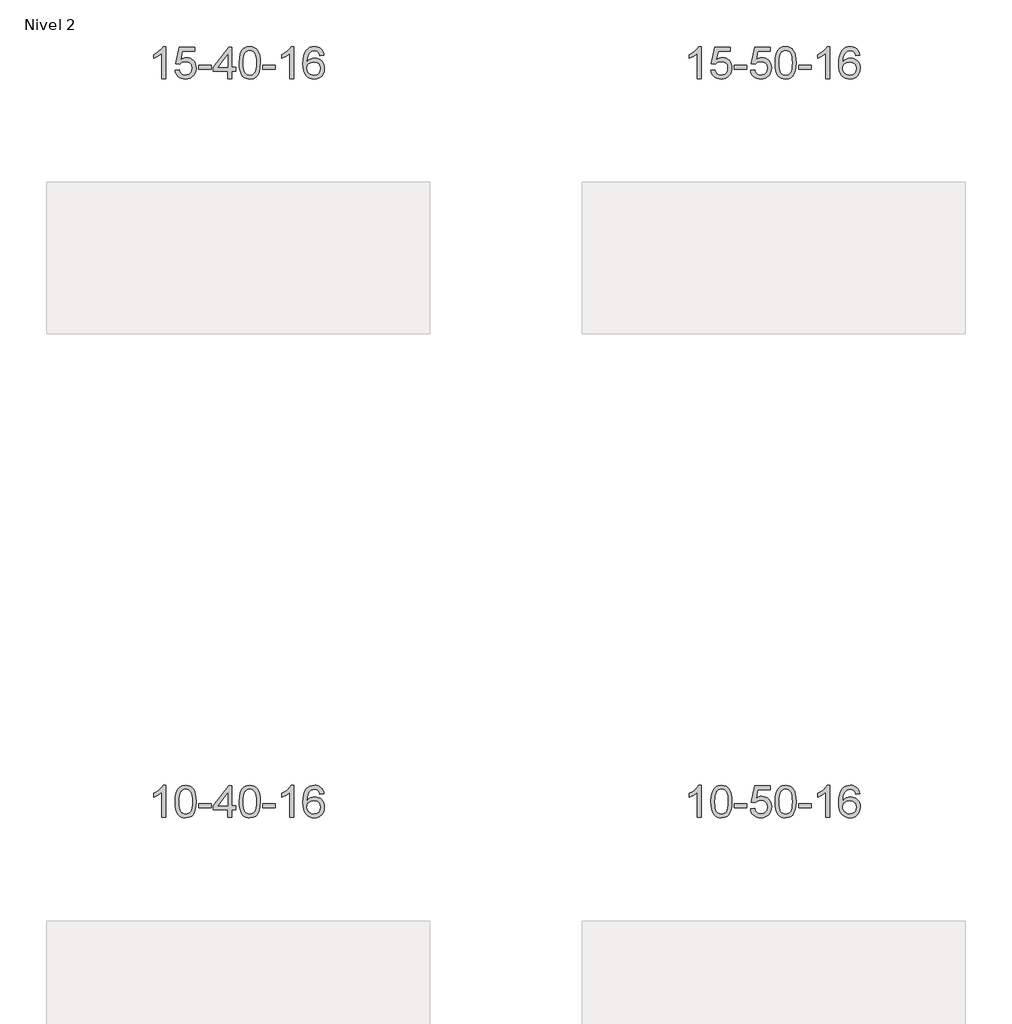
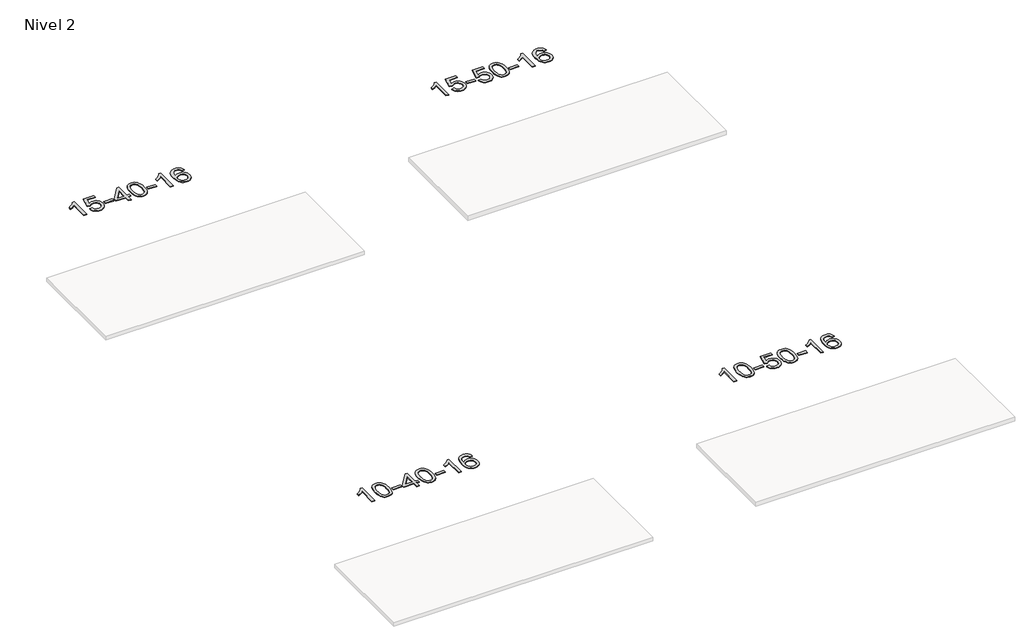
# One storey, part 7 of 51: 4 proxies.
"""IFC4 building model written with IfcOpenShell, lengths in millimetres."""

import ifcopenshell
import ifcopenshell.guid

model = None  # the IFC model being written
_history = None  # IfcOwnerHistory: only IFC2X3 demands one
_inside = {}  # id of a spatial element -> (the spatial element, [elements in it])
_under = {}  # id of a project, library or spatial element -> (it, [spatial elements below it])
_declared = {}  # id of a project -> (the project, [libraries it declares])
_typed = {}  # id of a type object -> (the type object, [elements of that type])
_made_of = {}  # id of a material, layer set ... -> (it, [elements and type objects made of it])


def new_model(schema):
    """Start an empty IFC model of exactly this schema.

    Asked for "IFC4X3", IfcOpenShell would pick the latest addendum, in which some entities
    have other attributes; the version numbers below select the first issue.
    IFC2X3 requires an IfcOwnerHistory on every rooted entity: one is made here for all.
    """
    global model, _history
    if schema == "IFC4X3":
        model = ifcopenshell.file(schema_version=(4, 3, 0, 0))
    else:
        model = ifcopenshell.file(schema=schema)
    _inside.clear()
    _under.clear()
    _declared.clear()
    _typed.clear()
    _made_of.clear()
    _history = None
    if model.schema == "IFC2X3":
        org = make("IfcOrganization", Name="unknown")
        user = make(
            "IfcPersonAndOrganization",
            ThePerson=make("IfcPerson", FamilyName="unknown"),
            TheOrganization=org,
        )
        app = make(
            "IfcApplication",
            ApplicationDeveloper=org,
            Version="unknown",
            ApplicationFullName="unknown",
            ApplicationIdentifier="unknown",
        )
        _history = make(
            "IfcOwnerHistory",
            OwningUser=user,
            OwningApplication=app,
            ChangeAction="ADDED",
            CreationDate=0,
        )
    return model


def make(cls, **values):
    """One entity of the class cls with the attributes given. An attribute that is None is left unset."""
    return model.create_entity(
        cls, **{name: value for name, value in values.items() if value is not None}
    )


def rooted(cls, **values):
    """An entity with a GlobalId (a new one), such as an element, a storey or a relation."""
    return make(cls, GlobalId=ifcopenshell.guid.new(), OwnerHistory=_history, **values)


def si_unit(unit_type, name, prefix=None):
    """IfcSIUnit, for example si_unit("LENGTHUNIT", "METRE", prefix="MILLI")."""
    return make("IfcSIUnit", UnitType=unit_type, Prefix=prefix, Name=name)


def assignment(units):
    """IfcUnitAssignment: the units of a project."""
    return None if units is None else make("IfcUnitAssignment", Units=units)


def point(xyz):
    """IfcCartesianPoint."""
    return None if xyz is None else make("IfcCartesianPoint", Coordinates=xyz)


def direction(xyz):
    """IfcDirection."""
    return None if xyz is None else make("IfcDirection", DirectionRatios=xyz)


def frame(location, z_axis=None, x_axis=None):
    """IfcAxis2Placement3D, a coordinate frame: its origin and axes. An axis left out is left unset."""
    return make(
        "IfcAxis2Placement3D",
        Location=point(location),
        Axis=direction(z_axis),
        RefDirection=direction(x_axis),
    )


def origin():
    """The frame at (0, 0, 0) with its axes left unset."""
    return frame((0.0, 0.0, 0.0))


def place(relative_to, where):
    """IfcLocalPlacement: puts the frame where relative to a parent placement (None: the world)."""
    return make(
        "IfcLocalPlacement", PlacementRelTo=relative_to, RelativePlacement=where
    )


def context(
    kind, dimensions, precision=None, world=None, true_north=None, identifier=None
):
    """IfcGeometricRepresentationContext, for example the 3D "Model" context."""
    return make(
        "IfcGeometricRepresentationContext",
        ContextIdentifier=identifier,
        ContextType=kind,
        CoordinateSpaceDimension=dimensions,
        Precision=precision,
        WorldCoordinateSystem=world,
        TrueNorth=true_north,
    )


def project(units=None, contexts=None):
    """IfcProject with its units and contexts."""
    return rooted(
        "IfcProject",
        Name="project",
        RepresentationContexts=contexts,
        UnitsInContext=assignment(units),
    )


def spatial(cls, under=None, at=None, **own):
    """A site, building, storey or space (cls), placed at a placement, below another one or the project."""
    s = rooted(cls, ObjectPlacement=at, **own)
    if under is not None:
        _under.setdefault(under.id(), (under, []))[1].append(s)
    return s


def polyline(points):
    """IfcPolyline through the points."""
    return make("IfcPolyline", Points=[point(p) for p in points])


def outline(outer, holes=None, kind="AREA"):
    """IfcArbitraryClosedProfileDef: a profile drawn as a closed curve; with holes, ...WithVoids."""
    if holes is None:
        return make("IfcArbitraryClosedProfileDef", ProfileType=kind, OuterCurve=outer)
    return make(
        "IfcArbitraryProfileDefWithVoids",
        ProfileType=kind,
        OuterCurve=outer,
        InnerCurves=holes,
    )


def extrude(swept, where, along, depth):
    """IfcExtrudedAreaSolid: the profile swept, set in the frame where, extruded along a direction by depth."""
    return make(
        "IfcExtrudedAreaSolid",
        SweptArea=swept,
        Position=where,
        ExtrudedDirection=direction(along),
        Depth=depth,
    )


def shape(context_of_items, identifier, shape_type, items):
    """IfcShapeRepresentation: the items that make up one representation, for example the "Body"."""
    return make(
        "IfcShapeRepresentation",
        ContextOfItems=context_of_items,
        RepresentationIdentifier=identifier,
        RepresentationType=shape_type,
        Items=items,
    )


def made_of(thing, what):
    """Note that an element or type object is made of a material, layer set ...; save() writes the relation."""
    if what is not None:
        _made_of.setdefault(what.id(), (what, []))[1].append(thing)
    return thing


def element(
    cls,
    number,
    at=None,
    inside=None,
    cuts=None,
    type_object=None,
    material=None,
    context=None,
    identifier="Body",
    shape_type=None,
    held_by="IfcProductDefinitionShape",
    body=None,
    shapes=None,
    **own,
):
    """One element of the class cls, such as IfcWall. Its Tag is "e" and its number.

    at: its placement. inside: the storey or other place that contains it. cuts: it is an
    opening in that element (IfcRelVoidsElement). A single representation is given by context,
    identifier, shape_type and body (its items); several are given by shapes. held_by: the class
    of the entity that holds the representations. save() writes the other relations.
    """
    e = rooted(cls, Tag="e%d" % number, ObjectPlacement=at, **own)
    if body is not None:
        shapes = [shape(context, identifier, shape_type, body)]
    if shapes is not None:
        e.Representation = make(held_by, Representations=shapes)
    if inside is not None:
        _inside.setdefault(inside.id(), (inside, []))[1].append(e)
    if cuts is not None:
        rooted(
            "IfcRelVoidsElement", RelatingBuildingElement=cuts, RelatedOpeningElement=e
        )
    if type_object is not None:
        _typed.setdefault(type_object.id(), (type_object, []))[1].append(e)
    return made_of(e, material)


def aggregate(whole, parts):
    """IfcRelAggregates: a whole, such as a stair, and the parts it consists of."""
    return rooted("IfcRelAggregates", RelatingObject=whole, RelatedObjects=parts)


def save(model, path):
    """Write the relations noted so far, then the file.

    IfcRelAggregates (storeys below a building ...), IfcRelContainedInSpatialStructure (elements
    in a storey), IfcRelDefinesByType, IfcRelAssociatesMaterial and IfcRelDeclares: one each for
    every whole, place, type object, material and project.
    """
    for whole, parts in _under.values():
        aggregate(whole, parts)
    for where, things in _inside.values():
        rooted(
            "IfcRelContainedInSpatialStructure",
            RelatedElements=things,
            RelatingStructure=where,
        )
    for kind, things in _typed.values():
        rooted("IfcRelDefinesByType", RelatedObjects=things, RelatingType=kind)
    for what, things in _made_of.values():
        rooted("IfcRelAssociatesMaterial", RelatedObjects=things, RelatingMaterial=what)
    for by, libraries in _declared.values():
        rooted("IfcRelDeclares", RelatingContext=by, RelatedDefinitions=libraries)
    model.write(path)


model = new_model("IFC4")

# Units and contexts
model_context = context("Model", 3, world=origin())
ifc_project = project(units=[si_unit("LENGTHUNIT", "METRE", prefix="MILLI")], contexts=[model_context])

# Site, building, storey
site = spatial("IfcSite", under=ifc_project)
building = spatial("IfcBuilding", under=site)
storey = spatial("IfcBuildingStorey", under=building, Name="Nivel 2", Elevation=3000.0)

# Proxies
placement = place(None, origin())
element("IfcBuildingElementProxy", 1, Name="Texto de modelo 1", ObjectType="Texto de modelo 1", at=placement, inside=storey, context=model_context, shape_type="SweptSolid", body=[
    extrude(outline(polyline([(-8605.2655998, -77088.6860497), (-8655.4937549, -77088.6860497), (-8655.4937549, -76775.5448954), (-8676.4630286, -76792.5042554), (-8703.0731596, -76809.4390899), (-8755.950065, -76834.7984221), (-8755.950065, -76787.3171193), (-8716.5008524, -76765.8573362), (-8682.3246151, -76740.3263258), (-8655.3833903, -76713.1766345), (-8637.6392154, -76686.8608091), (-8605.2655998, -76686.8608091), (-8605.2655998, -77088.6860497)])), frame((0.0, 0.0, 3000.0), z_axis=(0.0, 0.0, 1.0), x_axis=(1.0, 0.0, 0.0)), (0.0, 0.0, 1.0), 10.0),
    extrude(outline(polyline([(-8485.9737315, -76981.9512202), (-8435.7455764, -76975.6727008), (-8426.5240011, -77005.8267617), (-8410.4352952, -77027.4214348), (-8387.5530351, -77040.4076692), (-8357.9507972, -77044.736414), (-8338.8209334, -77043.2311636), (-8321.9474126, -77038.7154121), (-8307.3302347, -77031.1891596), (-8294.9693996, -77020.6524061), (-8285.140819, -77007.6263178), (-8278.1204042, -76992.6320608), (-8272.5040724, -76956.7390408), (-8277.764785, -76922.9429482), (-8284.3406756, -76909.024746), (-8293.5469226, -76897.0931066), (-8305.4141826, -76887.5220434), (-8319.9731126, -76880.6855697), (-8357.1659823, -76875.2163907), (-8381.5320331, -76877.3991572), (-8401.2627708, -76883.9474567), (-8417.0203829, -76893.9783724), (-8429.4670571, -76906.6089876), (-8479.6952121, -76900.3304682), (-8435.7455764, -76693.1393285), (-8241.1114755, -76693.1393285), (-8241.1114755, -76743.3674836), (-8395.1314042, -76743.3674836), (-8416.6157127, -76854.0263877), (-8398.8899319, -76841.3221962), (-8380.7349554, -76832.2477736), (-8362.1507833, -76826.8031201), (-8343.1374155, -76824.9882356), (-8318.6763285, -76827.2384471), (-8296.2079357, -76833.9890817), (-8275.732237, -76845.2401394), (-8257.2492324, -76860.9916202), (-8241.9484071, -76880.2808995), (-8231.0192461, -76902.1453527), (-8224.4617496, -76926.5849799), (-8222.2759174, -76953.5997811), (-8224.244086, -76979.6213009), (-8230.1485921, -77003.8279362), (-8239.9894354, -77026.219687), (-8253.7666162, -77046.7965532), (-8274.637788, -77067.8700602), (-8298.9915761, -77082.9225651), (-8326.8279804, -77091.9540681), (-8358.1470009, -77094.9645691), (-8384.0673532, -77093.030123), (-8407.4799765, -77087.2267845), (-8428.3848709, -77077.5545537), (-8446.7820363, -77064.0134306), (-8462.088993, -77047.2778655), (-8473.7232611, -77028.0223087), (-8481.6848406, -77006.2467603), (-8485.9737315, -76981.9512202)])), frame((0.0, 0.0, 3000.0), z_axis=(0.0, 0.0, 1.0), x_axis=(1.0, 0.0, 0.0)), (0.0, 0.0, 1.0), 10.0),
    extrude(outline(polyline([(-8190.8833205, -76969.3941814), (-8190.8833205, -76919.1660264), (-8033.9203358, -76919.1660264), (-8033.9203358, -76969.3941814), (-8190.8833205, -76969.3941814)])), frame((0.0, 0.0, 3000.0), z_axis=(0.0, 0.0, 1.0), x_axis=(1.0, 0.0, 0.0)), (0.0, 0.0, 1.0), 10.0),
    extrude(outline(polyline([(-7826.7291962, -77088.6860497), (-7826.7291962, -76994.508259), (-8008.8062583, -76994.508259), (-8008.8062583, -76944.2801039), (-7814.1721574, -76693.1393285), (-7776.5010411, -76693.1393285), (-7776.5010411, -76944.2801039), (-7726.272886, -76944.2801039), (-7726.272886, -76994.508259), (-7776.5010411, -76994.508259), (-7776.5010411, -77088.6860497), (-7826.7291962, -77088.6860497)]), holes=[polyline([(-7826.7291962, -76944.2801039), (-7826.7291962, -76789.0829529), (-7947.0020831, -76944.2801039), (-7826.7291962, -76944.2801039)])]), frame((0.0, 0.0, 3000.0), z_axis=(0.0, 0.0, 1.0), x_axis=(1.0, 0.0, 0.0)), (0.0, 0.0, 1.0), 10.0),
    extrude(outline(polyline([(-7682.3232503, -76891.010791), (-7678.6321676, -76826.6927555), (-7667.5589196, -76775.3977426), (-7649.2138708, -76736.3409375), (-7637.3558078, -76721.1075572), (-7623.7073858, -76708.7375251), (-7608.2226194, -76699.1664619), (-7590.8555236, -76692.3299881), (-7550.4743432, -76686.8608091), (-7519.5232047, -76690.0981707), (-7491.8094277, -76699.8102554), (-7468.6328621, -76715.6169184), (-7451.2933573, -76737.1380151), (-7438.1967583, -76764.1896045), (-7427.7489097, -76796.5877456), (-7420.9063045, -76837.7292154), (-7418.6254362, -76891.010791), (-7422.2797307, -76954.9609445), (-7433.2426141, -77006.13333), (-7451.4772983, -77045.2269234), (-7463.3077702, -77060.5062889), (-7476.9469951, -77072.9407003), (-7492.4501556, -77082.5761429), (-7509.8724337, -77089.4586019), (-7550.4743432, -77094.9645691), (-7578.1390693, -77092.5733362), (-7602.6645356, -77085.3996372), (-7624.0507423, -77073.4434724), (-7642.2976892, -77056.7048416), (-7659.8088722, -77026.4465475), (-7672.31686, -76988.7447744), (-7679.8216528, -76943.5995222), (-7682.3232503, -76891.010791)]), holes=[polyline([(-7632.0950952, -76890.9126891), (-7630.6235673, -76934.5772163), (-7626.2089833, -76969.921479), (-7618.8513434, -76996.9454772), (-7608.5506476, -77015.649211), (-7596.0917106, -77028.3748623), (-7582.2593476, -77037.4646133), (-7567.0535585, -77042.9184639), (-7550.4743432, -77044.736414), (-7533.895128, -77042.9123325), (-7518.6893389, -77037.4400878), (-7504.8569758, -77028.31968), (-7492.3980389, -77015.5511091), (-7482.0973431, -76996.8167185), (-7474.7397032, -76969.7988516), (-7470.3251192, -76934.4975085), (-7468.8535913, -76890.9126891), (-7470.2760683, -76848.4039246), (-7474.5434994, -76813.6819956), (-7481.6558847, -76786.7469022), (-7491.613224, -76767.5986443), (-7503.8636945, -76754.2506593), (-7517.855473, -76744.7163842), (-7533.5885597, -76738.9958192), (-7551.0629544, -76737.0889642), (-7567.5563306, -76738.7689587), (-7582.5046023, -76743.808942), (-7595.9077697, -76752.2089142), (-7607.7658326, -76763.9688753), (-7618.409885, -76784.8155217), (-7626.0127796, -76812.9217062), (-7630.5745163, -76848.2874286), (-7632.0950952, -76890.9126891)])]), frame((0.0, 0.0, 3000.0), z_axis=(0.0, 0.0, 1.0), x_axis=(1.0, 0.0, 0.0)), (0.0, 0.0, 1.0), 10.0),
    extrude(outline(polyline([(-7387.2328393, -76969.3941814), (-7387.2328393, -76919.1660264), (-7230.2698546, -76919.1660264), (-7230.2698546, -76969.3941814), (-7387.2328393, -76969.3941814)])), frame((0.0, 0.0, 3000.0), z_axis=(0.0, 0.0, 1.0), x_axis=(1.0, 0.0, 0.0)), (0.0, 0.0, 1.0), 10.0),
    extrude(outline(polyline([(-6997.9646374, -77088.6860497), (-7048.1927925, -77088.6860497), (-7048.1927925, -76775.5448954), (-7069.1620662, -76792.5042554), (-7095.7721972, -76809.4390899), (-7148.6491026, -76834.7984221), (-7148.6491026, -76787.3171193), (-7109.19989, -76765.8573362), (-7075.0236527, -76740.3263258), (-7048.0824279, -76713.1766345), (-7030.338253, -76686.8608091), (-6997.9646374, -76686.8608091), (-6997.9646374, -77088.6860497)])), frame((0.0, 0.0, 3000.0), z_axis=(0.0, 0.0, 1.0), x_axis=(1.0, 0.0, 0.0)), (0.0, 0.0, 1.0), 10.0),
    extrude(outline(polyline([(-6621.2534744, -76793.5956387), (-6671.4816294, -76799.8741581), (-6679.5750333, -76774.9808097), (-6690.5133913, -76757.9846615), (-6713.2975496, -76742.3128885), (-6740.8396483, -76737.0889642), (-6764.1878922, -76740.130122), (-6786.1627101, -76749.2535955), (-6805.0350564, -76768.4692984), (-6820.449312, -76794.9200139), (-6830.8603725, -76832.3336128), (-6834.7231334, -76884.437966), (-6814.5754628, -76860.9303065), (-6790.4301412, -76844.363354), (-6763.6360692, -76834.5409047), (-6735.5421475, -76831.266755), (-6711.4090886, -76833.5047038), (-6689.1399652, -76840.2185502), (-6668.7347772, -76851.4082942), (-6650.1935247, -76867.0739358), (-6634.7854004, -76886.2835074), (-6623.7795974, -76908.105041), (-6617.1761156, -76932.5385369), (-6614.974955, -76959.5839949), (-6619.1197588, -76995.5505913), (-6631.5541702, -77028.8929628), (-6651.2481197, -77057.1708255), (-6677.1715376, -77077.9438955), (-6708.1472016, -77090.7094007), (-6742.9978893, -77094.9645691), (-6772.940418, -77092.1441405), (-6799.9828104, -77083.6828546), (-6824.1250663, -77069.5807115), (-6845.3671858, -77049.837711), (-6862.6852307, -77023.6199875), (-6875.0552628, -76990.093675), (-6882.4772821, -76949.2587736), (-6884.9512885, -76901.1152831), (-6882.2044363, -76847.1408631), (-6873.9638796, -76801.0759059), (-6860.2296184, -76762.9204116), (-6841.0016528, -76732.6743803), (-6820.1611378, -76712.6309429), (-6795.9974221, -76698.3142019), (-6768.5105057, -76689.7241573), (-6737.7003886, -76686.8608091), (-6714.5667424, -76688.6327741), (-6693.6281255, -76693.9486689), (-6674.8845379, -76702.8084936), (-6658.3359795, -76715.2122482), (-6644.4300401, -76730.7429998), (-6633.6143094, -76748.9838154), (-6625.8887875, -76769.934695), (-6621.2534744, -76793.5956387)]), holes=[polyline([(-6834.7231334, -76958.79918), (-6831.8168657, -76981.0560407), (-6823.0980624, -77002.3073573), (-6809.560005, -77020.5788297), (-6792.1959748, -77033.8961579), (-6771.2389638, -77042.02635), (-6746.9219639, -77044.736414), (-6713.7757962, -77039.1200823), (-6699.8606597, -77032.0996675), (-6687.7174882, -77022.2710869), (-6677.8674477, -77010.0328792), (-6670.8317046, -76995.7835832), (-6665.2031101, -76961.2517266), (-6670.7581282, -76928.1055588), (-6677.7019008, -76914.484728), (-6687.4231826, -76902.8320658), (-6699.6031423, -76893.4970601), (-6713.9229489, -76886.829199), (-6748.9821031, -76881.4949101), (-6782.0792199, -76886.829199), (-6809.7562087, -76902.8320658), (-6820.6792383, -76914.3314438), (-6828.4814022, -76927.4924222), (-6833.1627006, -76942.3150009), (-6834.7231334, -76958.79918)])]), frame((0.0, 0.0, 3000.0), z_axis=(0.0, 0.0, 1.0), x_axis=(1.0, 0.0, 0.0)), (0.0, 0.0, 1.0), 10.0),
])
element("IfcBuildingElementProxy", 2, Name="Texto de modelo 1", ObjectType="Texto de modelo 1", at=placement, inside=storey, context=model_context, shape_type="SweptSolid", body=[
    extrude(outline(polyline([(-1890.325065, -77088.6860497), (-1940.5532201, -77088.6860497), (-1940.5532201, -76775.5448954), (-1961.5224938, -76792.5042554), (-1988.1326248, -76809.4390899), (-2041.0095302, -76834.7984221), (-2041.0095302, -76787.3171193), (-2001.5603176, -76765.8573362), (-1967.3840803, -76740.3263258), (-1940.4428555, -76713.1766345), (-1922.6986806, -76686.8608091), (-1890.325065, -76686.8608091), (-1890.325065, -77088.6860497)])), frame((0.0, 0.0, 3000.0), z_axis=(0.0, 0.0, 1.0), x_axis=(1.0, 0.0, 0.0)), (0.0, 0.0, 1.0), 10.0),
    extrude(outline(polyline([(-1771.0331967, -76981.9512202), (-1720.8050416, -76975.6727008), (-1711.5834663, -77005.8267617), (-1695.4947603, -77027.4214348), (-1672.6125002, -77040.4076692), (-1643.0102624, -77044.736414), (-1623.8803986, -77043.2311636), (-1607.0068778, -77038.7154121), (-1592.3896998, -77031.1891596), (-1580.0288648, -77020.6524061), (-1570.2002842, -77007.6263178), (-1563.1798694, -76992.6320608), (-1557.5635376, -76956.7390408), (-1562.8242502, -76922.9429482), (-1569.4001408, -76909.024746), (-1578.6063877, -76897.0931066), (-1590.4736478, -76887.5220434), (-1605.0325777, -76880.6855697), (-1642.2254474, -76875.2163907), (-1666.5914983, -76877.3991572), (-1686.3222359, -76883.9474567), (-1702.0798481, -76893.9783724), (-1714.5265222, -76906.6089876), (-1764.7546773, -76900.3304682), (-1720.8050416, -76693.1393285), (-1526.1709407, -76693.1393285), (-1526.1709407, -76743.3674836), (-1680.1908693, -76743.3674836), (-1701.6751779, -76854.0263877), (-1683.9493971, -76841.3221962), (-1665.7944206, -76832.2477736), (-1647.2102485, -76826.8031201), (-1628.1968807, -76824.9882356), (-1603.7357937, -76827.2384471), (-1581.2674008, -76833.9890817), (-1560.7917021, -76845.2401394), (-1542.3086976, -76860.9916202), (-1527.0078722, -76880.2808995), (-1516.0787113, -76902.1453527), (-1509.5212147, -76926.5849799), (-1507.3353825, -76953.5997811), (-1509.3035512, -76979.6213009), (-1515.2080572, -77003.8279362), (-1525.0489006, -77026.219687), (-1538.8260813, -77046.7965532), (-1559.6972532, -77067.8700602), (-1584.0510413, -77082.9225651), (-1611.8874456, -77091.9540681), (-1643.2064661, -77094.9645691), (-1669.1268183, -77093.030123), (-1692.5394417, -77087.2267845), (-1713.444336, -77077.5545537), (-1731.8415015, -77064.0134306), (-1747.1484582, -77047.2778655), (-1758.7827263, -77028.0223087), (-1766.7443058, -77006.2467603), (-1771.0331967, -76981.9512202)])), frame((0.0, 0.0, 3000.0), z_axis=(0.0, 0.0, 1.0), x_axis=(1.0, 0.0, 0.0)), (0.0, 0.0, 1.0), 10.0),
    extrude(outline(polyline([(-1475.9427856, -76969.3941814), (-1475.9427856, -76919.1660264), (-1318.979801, -76919.1660264), (-1318.979801, -76969.3941814), (-1475.9427856, -76969.3941814)])), frame((0.0, 0.0, 3000.0), z_axis=(0.0, 0.0, 1.0), x_axis=(1.0, 0.0, 0.0)), (0.0, 0.0, 1.0), 10.0),
    extrude(outline(polyline([(-1275.0301653, -76981.9512202), (-1224.8020103, -76975.6727008), (-1215.5804349, -77005.8267617), (-1199.491729, -77027.4214348), (-1176.6094689, -77040.4076692), (-1147.007231, -77044.736414), (-1127.8773673, -77043.2311636), (-1111.0038464, -77038.7154121), (-1096.3866685, -77031.1891596), (-1084.0258334, -77020.6524061), (-1074.1972528, -77007.6263178), (-1067.1768381, -76992.6320608), (-1061.5605063, -76956.7390408), (-1066.8212188, -76922.9429482), (-1073.3971095, -76909.024746), (-1082.6033564, -76897.0931066), (-1094.4706164, -76887.5220434), (-1109.0295464, -76880.6855697), (-1146.2224161, -76875.2163907), (-1170.5884669, -76877.3991572), (-1190.3192046, -76883.9474567), (-1206.0768167, -76893.9783724), (-1218.5234909, -76906.6089876), (-1268.7516459, -76900.3304682), (-1224.8020103, -76693.1393285), (-1030.1679093, -76693.1393285), (-1030.1679093, -76743.3674836), (-1184.187838, -76743.3674836), (-1205.6721465, -76854.0263877), (-1187.9463657, -76841.3221962), (-1169.7913892, -76832.2477736), (-1151.2072171, -76826.8031201), (-1132.1938493, -76824.9882356), (-1107.7327623, -76827.2384471), (-1085.2643695, -76833.9890817), (-1064.7886708, -76845.2401394), (-1046.3056662, -76860.9916202), (-1031.0048409, -76880.2808995), (-1020.0756799, -76902.1453527), (-1013.5181834, -76926.5849799), (-1011.3323512, -76953.5997811), (-1013.3005199, -76979.6213009), (-1019.2050259, -77003.8279362), (-1029.0458693, -77026.219687), (-1042.82305, -77046.7965532), (-1063.6942218, -77067.8700602), (-1088.0480099, -77082.9225651), (-1115.8844142, -77091.9540681), (-1147.2034347, -77094.9645691), (-1173.123787, -77093.030123), (-1196.5364103, -77087.2267845), (-1217.4413047, -77077.5545537), (-1235.8384701, -77064.0134306), (-1251.1454268, -77047.2778655), (-1262.7796949, -77028.0223087), (-1270.7412744, -77006.2467603), (-1275.0301653, -76981.9512202)])), frame((0.0, 0.0, 3000.0), z_axis=(0.0, 0.0, 1.0), x_axis=(1.0, 0.0, 0.0)), (0.0, 0.0, 1.0), 10.0),
    extrude(outline(polyline([(-967.3827155, -76891.010791), (-963.6916328, -76826.6927555), (-952.6183848, -76775.3977426), (-934.2733359, -76736.3409375), (-922.415273, -76721.1075572), (-908.7668509, -76708.7375251), (-893.2820846, -76699.1664619), (-875.9149888, -76692.3299881), (-835.5338084, -76686.8608091), (-804.5826699, -76690.0981707), (-776.8688929, -76699.8102554), (-753.6923272, -76715.6169184), (-736.3528225, -76737.1380151), (-723.2562235, -76764.1896045), (-712.8083748, -76796.5877456), (-705.9657697, -76837.7292154), (-703.6849014, -76891.010791), (-707.3391958, -76954.9609445), (-718.3020793, -77006.13333), (-736.5367635, -77045.2269234), (-748.3672353, -77060.5062889), (-762.0064603, -77072.9407003), (-777.5096207, -77082.5761429), (-794.9318989, -77089.4586019), (-835.5338084, -77094.9645691), (-863.1985345, -77092.5733362), (-887.7240008, -77085.3996372), (-909.1102075, -77073.4434724), (-927.3571544, -77056.7048416), (-944.8683374, -77026.4465475), (-957.3763252, -76988.7447744), (-964.8811179, -76943.5995222), (-967.3827155, -76891.010791)]), holes=[polyline([(-917.1545604, -76890.9126891), (-915.6830324, -76934.5772163), (-911.2684485, -76969.921479), (-903.9108086, -76996.9454772), (-893.6101127, -77015.649211), (-881.1511758, -77028.3748623), (-867.3188128, -77037.4646133), (-852.1130237, -77042.9184639), (-835.5338084, -77044.736414), (-818.9545932, -77042.9123325), (-803.748804, -77037.4400878), (-789.916441, -77028.31968), (-777.4575041, -77015.5511091), (-767.1568083, -76996.8167185), (-759.7991683, -76969.7988516), (-755.3845844, -76934.4975085), (-753.9130564, -76890.9126891), (-755.3355335, -76848.4039246), (-759.6029646, -76813.6819956), (-766.7153499, -76786.7469022), (-776.6726892, -76767.5986443), (-788.9231596, -76754.2506593), (-802.9149382, -76744.7163842), (-818.6480248, -76738.9958192), (-836.1224196, -76737.0889642), (-852.6157957, -76738.7689587), (-867.5640675, -76743.808942), (-880.9672348, -76752.2089142), (-892.8252978, -76763.9688753), (-903.4693502, -76784.8155217), (-911.0722448, -76812.9217062), (-915.6339815, -76848.2874286), (-917.1545604, -76890.9126891)])]), frame((0.0, 0.0, 3000.0), z_axis=(0.0, 0.0, 1.0), x_axis=(1.0, 0.0, 0.0)), (0.0, 0.0, 1.0), 10.0),
    extrude(outline(polyline([(-672.2923044, -76969.3941814), (-672.2923044, -76919.1660264), (-515.3293198, -76919.1660264), (-515.3293198, -76969.3941814), (-672.2923044, -76969.3941814)])), frame((0.0, 0.0, 3000.0), z_axis=(0.0, 0.0, 1.0), x_axis=(1.0, 0.0, 0.0)), (0.0, 0.0, 1.0), 10.0),
    extrude(outline(polyline([(-283.0241026, -77088.6860497), (-333.2522577, -77088.6860497), (-333.2522577, -76775.5448954), (-354.2215314, -76792.5042554), (-380.8316624, -76809.4390899), (-433.7085678, -76834.7984221), (-433.7085678, -76787.3171193), (-394.2593552, -76765.8573362), (-360.0831179, -76740.3263258), (-333.1418931, -76713.1766345), (-315.3977182, -76686.8608091), (-283.0241026, -76686.8608091), (-283.0241026, -77088.6860497)])), frame((0.0, 0.0, 3000.0), z_axis=(0.0, 0.0, 1.0), x_axis=(1.0, 0.0, 0.0)), (0.0, 0.0, 1.0), 10.0),
    extrude(outline(polyline([(93.6870605, -76793.5956387), (43.4589054, -76799.8741581), (35.3655015, -76774.9808097), (24.4271435, -76757.9846615), (1.6429853, -76742.3128885), (-25.8991134, -76737.0889642), (-49.2473574, -76740.130122), (-71.2221752, -76749.2535955), (-90.0945216, -76768.4692984), (-105.5087772, -76794.9200139), (-115.9198377, -76832.3336128), (-119.7825986, -76884.437966), (-99.634928, -76860.9303065), (-75.4896064, -76844.363354), (-48.6955344, -76834.5409047), (-20.6016127, -76831.266755), (3.5314462, -76833.5047038), (25.8005696, -76840.2185502), (46.2057576, -76851.4082942), (64.7470102, -76867.0739358), (80.1551344, -76886.2835074), (91.1609374, -76908.105041), (97.7644192, -76932.5385369), (99.9655798, -76959.5839949), (95.820776, -76995.5505913), (83.3863646, -77028.8929628), (63.6924151, -77057.1708255), (37.7689972, -77077.9438955), (6.7933332, -77090.7094007), (-28.0573545, -77094.9645691), (-57.9998832, -77092.1441405), (-85.0422755, -77083.6828546), (-109.1845315, -77069.5807115), (-130.426651, -77049.837711), (-147.7446959, -77023.6199875), (-160.114728, -76990.093675), (-167.5367473, -76949.2587736), (-170.0107537, -76901.1152831), (-167.2639015, -76847.1408631), (-159.0233448, -76801.0759059), (-145.2890836, -76762.9204116), (-126.061118, -76732.6743803), (-105.220603, -76712.6309429), (-81.0568872, -76698.3142019), (-53.5699708, -76689.7241573), (-22.7598537, -76686.8608091), (0.3737924, -76688.6327741), (21.3124093, -76693.9486689), (40.0559969, -76702.8084936), (56.6045553, -76715.2122482), (70.5104948, -76730.7429998), (81.3262254, -76748.9838154), (89.0517473, -76769.934695), (93.6870605, -76793.5956387)]), holes=[polyline([(-119.7825986, -76958.79918), (-116.8763308, -76981.0560407), (-108.1575276, -77002.3073573), (-94.6194701, -77020.5788297), (-77.25544, -77033.8961579), (-56.298429, -77042.02635), (-31.9814291, -77044.736414), (1.1647387, -77039.1200823), (15.0798751, -77032.0996675), (27.2230467, -77022.2710869), (37.0730871, -77010.0328792), (44.1088302, -76995.7835832), (49.7374248, -76961.2517266), (44.1824066, -76928.1055588), (37.238634, -76914.484728), (27.5173523, -76902.8320658), (15.3373925, -76893.4970601), (1.0175859, -76886.829199), (-34.0415683, -76881.4949101), (-67.1386851, -76886.829199), (-94.8156739, -76902.8320658), (-105.7387034, -76914.3314438), (-113.5408674, -76927.4924222), (-118.2221658, -76942.3150009), (-119.7825986, -76958.79918)])]), frame((0.0, 0.0, 3000.0), z_axis=(0.0, 0.0, 1.0), x_axis=(1.0, 0.0, 0.0)), (0.0, 0.0, 1.0), 10.0),
])
element("IfcBuildingElementProxy", 3, Name="Texto de modelo 1", ObjectType="Texto de modelo 1", at=placement, inside=storey, context=model_context, shape_type="SweptSolid", body=[
    extrude(outline(polyline([(-8605.2655998, -86347.0667526), (-8655.4937549, -86347.0667526), (-8655.4937549, -86033.9255983), (-8676.4630286, -86050.8849583), (-8703.0731596, -86067.8197928), (-8755.950065, -86093.179125), (-8755.950065, -86045.6978222), (-8716.5008524, -86024.2380391), (-8682.3246151, -85998.7070287), (-8655.3833903, -85971.5573374), (-8637.6392154, -85945.241512), (-8605.2655998, -85945.241512), (-8605.2655998, -86347.0667526)])), frame((0.0, 0.0, 3000.0), z_axis=(0.0, 0.0, 1.0), x_axis=(1.0, 0.0, 0.0)), (0.0, 0.0, 1.0), 10.0),
    extrude(outline(polyline([(-8485.9737315, -86149.3914939), (-8482.2826488, -86085.0734584), (-8471.2094008, -86033.7784455), (-8452.8643519, -85994.7216404), (-8441.006289, -85979.4882601), (-8427.357867, -85967.118228), (-8411.8731006, -85957.5471648), (-8394.5060048, -85950.710691), (-8354.1248244, -85945.241512), (-8323.1736859, -85948.4788736), (-8295.4599089, -85958.1909583), (-8272.2833433, -85973.9976213), (-8254.9438385, -85995.518718), (-8241.8472395, -86022.5703074), (-8231.3993909, -86054.9684485), (-8224.5567857, -86096.1099183), (-8222.2759174, -86149.3914939), (-8225.9302119, -86213.3416474), (-8236.8930953, -86264.5140329), (-8255.1277795, -86303.6076263), (-8266.9582514, -86318.8869918), (-8280.5974763, -86331.3214032), (-8296.1006368, -86340.9568458), (-8313.5229149, -86347.8393048), (-8354.1248244, -86353.345272), (-8381.7895505, -86350.9540391), (-8406.3150168, -86343.7803401), (-8427.7012235, -86331.8241753), (-8445.9481704, -86315.0855445), (-8463.4593534, -86284.8272504), (-8475.9673412, -86247.1254773), (-8483.4721339, -86201.9802251), (-8485.9737315, -86149.3914939)]), holes=[polyline([(-8435.7455764, -86149.293392), (-8434.2740485, -86192.9579192), (-8429.8594645, -86228.3021819), (-8422.5018246, -86255.3261801), (-8412.2011287, -86274.0299139), (-8399.7421918, -86286.7555652), (-8385.9098288, -86295.8453162), (-8370.7040397, -86301.2991668), (-8354.1248244, -86303.1171169), (-8337.5456092, -86301.2930354), (-8322.3398201, -86295.8207907), (-8308.507457, -86286.7003829), (-8296.0485201, -86273.931812), (-8285.7478243, -86255.1974214), (-8278.3901844, -86228.1795545), (-8273.9756004, -86192.8782114), (-8272.5040724, -86149.293392), (-8273.9265495, -86106.7846275), (-8278.1939806, -86072.0626985), (-8285.3063659, -86045.1276051), (-8295.2637052, -86025.9793472), (-8307.5141757, -86012.6313622), (-8321.5059542, -86003.0970871), (-8337.2390409, -85997.3765221), (-8354.7134356, -85995.4696671), (-8371.2068118, -85997.1496616), (-8386.1550835, -86002.1896449), (-8399.5582508, -86010.5896171), (-8411.4163138, -86022.3495782), (-8422.0603662, -86043.1962246), (-8429.6632608, -86071.3024091), (-8434.2249975, -86106.6681315), (-8435.7455764, -86149.293392)])]), frame((0.0, 0.0, 3000.0), z_axis=(0.0, 0.0, 1.0), x_axis=(1.0, 0.0, 0.0)), (0.0, 0.0, 1.0), 10.0),
    extrude(outline(polyline([(-8190.8833205, -86227.7748843), (-8190.8833205, -86177.5467293), (-8033.9203358, -86177.5467293), (-8033.9203358, -86227.7748843), (-8190.8833205, -86227.7748843)])), frame((0.0, 0.0, 3000.0), z_axis=(0.0, 0.0, 1.0), x_axis=(1.0, 0.0, 0.0)), (0.0, 0.0, 1.0), 10.0),
    extrude(outline(polyline([(-7826.7291962, -86347.0667526), (-7826.7291962, -86252.8889619), (-8008.8062583, -86252.8889619), (-8008.8062583, -86202.6608068), (-7814.1721574, -85951.5200314), (-7776.5010411, -85951.5200314), (-7776.5010411, -86202.6608068), (-7726.272886, -86202.6608068), (-7726.272886, -86252.8889619), (-7776.5010411, -86252.8889619), (-7776.5010411, -86347.0667526), (-7826.7291962, -86347.0667526)]), holes=[polyline([(-7826.7291962, -86202.6608068), (-7826.7291962, -86047.4636558), (-7947.0020831, -86202.6608068), (-7826.7291962, -86202.6608068)])]), frame((0.0, 0.0, 3000.0), z_axis=(0.0, 0.0, 1.0), x_axis=(1.0, 0.0, 0.0)), (0.0, 0.0, 1.0), 10.0),
    extrude(outline(polyline([(-7682.3232503, -86149.3914939), (-7678.6321676, -86085.0734584), (-7667.5589196, -86033.7784455), (-7649.2138708, -85994.7216404), (-7637.3558078, -85979.4882601), (-7623.7073858, -85967.118228), (-7608.2226194, -85957.5471648), (-7590.8555236, -85950.710691), (-7550.4743432, -85945.241512), (-7519.5232047, -85948.4788736), (-7491.8094277, -85958.1909583), (-7468.6328621, -85973.9976213), (-7451.2933573, -85995.518718), (-7438.1967583, -86022.5703074), (-7427.7489097, -86054.9684485), (-7420.9063045, -86096.1099183), (-7418.6254362, -86149.3914939), (-7422.2797307, -86213.3416474), (-7433.2426141, -86264.5140329), (-7451.4772983, -86303.6076263), (-7463.3077702, -86318.8869918), (-7476.9469951, -86331.3214032), (-7492.4501556, -86340.9568458), (-7509.8724337, -86347.8393048), (-7550.4743432, -86353.345272), (-7578.1390693, -86350.9540391), (-7602.6645356, -86343.7803401), (-7624.0507423, -86331.8241753), (-7642.2976892, -86315.0855445), (-7659.8088722, -86284.8272504), (-7672.31686, -86247.1254773), (-7679.8216528, -86201.9802251), (-7682.3232503, -86149.3914939)]), holes=[polyline([(-7632.0950952, -86149.293392), (-7630.6235673, -86192.9579192), (-7626.2089833, -86228.3021819), (-7618.8513434, -86255.3261801), (-7608.5506476, -86274.0299139), (-7596.0917106, -86286.7555652), (-7582.2593476, -86295.8453162), (-7567.0535585, -86301.2991668), (-7550.4743432, -86303.1171169), (-7533.895128, -86301.2930354), (-7518.6893389, -86295.8207907), (-7504.8569758, -86286.7003829), (-7492.3980389, -86273.931812), (-7482.0973431, -86255.1974214), (-7474.7397032, -86228.1795545), (-7470.3251192, -86192.8782114), (-7468.8535913, -86149.293392), (-7470.2760683, -86106.7846275), (-7474.5434994, -86072.0626985), (-7481.6558847, -86045.1276051), (-7491.613224, -86025.9793472), (-7503.8636945, -86012.6313622), (-7517.855473, -86003.0970871), (-7533.5885597, -85997.3765221), (-7551.0629544, -85995.4696671), (-7567.5563306, -85997.1496616), (-7582.5046023, -86002.1896449), (-7595.9077697, -86010.5896171), (-7607.7658326, -86022.3495782), (-7618.409885, -86043.1962246), (-7626.0127796, -86071.3024091), (-7630.5745163, -86106.6681315), (-7632.0950952, -86149.293392)])]), frame((0.0, 0.0, 3000.0), z_axis=(0.0, 0.0, 1.0), x_axis=(1.0, 0.0, 0.0)), (0.0, 0.0, 1.0), 10.0),
    extrude(outline(polyline([(-7387.2328393, -86227.7748843), (-7387.2328393, -86177.5467293), (-7230.2698546, -86177.5467293), (-7230.2698546, -86227.7748843), (-7387.2328393, -86227.7748843)])), frame((0.0, 0.0, 3000.0), z_axis=(0.0, 0.0, 1.0), x_axis=(1.0, 0.0, 0.0)), (0.0, 0.0, 1.0), 10.0),
    extrude(outline(polyline([(-6997.9646374, -86347.0667526), (-7048.1927925, -86347.0667526), (-7048.1927925, -86033.9255983), (-7069.1620662, -86050.8849583), (-7095.7721972, -86067.8197928), (-7148.6491026, -86093.179125), (-7148.6491026, -86045.6978222), (-7109.19989, -86024.2380391), (-7075.0236527, -85998.7070287), (-7048.0824279, -85971.5573374), (-7030.338253, -85945.241512), (-6997.9646374, -85945.241512), (-6997.9646374, -86347.0667526)])), frame((0.0, 0.0, 3000.0), z_axis=(0.0, 0.0, 1.0), x_axis=(1.0, 0.0, 0.0)), (0.0, 0.0, 1.0), 10.0),
    extrude(outline(polyline([(-6621.2534744, -86051.9763416), (-6671.4816294, -86058.254861), (-6679.5750333, -86033.3615126), (-6690.5133913, -86016.3653644), (-6713.2975496, -86000.6935914), (-6740.8396483, -85995.4696671), (-6764.1878922, -85998.5108249), (-6786.1627101, -86007.6342984), (-6805.0350564, -86026.8500013), (-6820.449312, -86053.3007168), (-6830.8603725, -86090.7143157), (-6834.7231334, -86142.8186689), (-6814.5754628, -86119.3110094), (-6790.4301412, -86102.7440569), (-6763.6360692, -86092.9216076), (-6735.5421475, -86089.6474579), (-6711.4090886, -86091.8854067), (-6689.1399652, -86098.5992531), (-6668.7347772, -86109.7889971), (-6650.1935247, -86125.4546387), (-6634.7854004, -86144.6642103), (-6623.7795974, -86166.4857439), (-6617.1761156, -86190.9192398), (-6614.974955, -86217.9646978), (-6619.1197588, -86253.9312942), (-6631.5541702, -86287.2736657), (-6651.2481197, -86315.5515284), (-6677.1715376, -86336.3245984), (-6708.1472016, -86349.0901036), (-6742.9978893, -86353.345272), (-6772.940418, -86350.5248434), (-6799.9828104, -86342.0635575), (-6824.1250663, -86327.9614144), (-6845.3671858, -86308.2184139), (-6862.6852307, -86282.0006904), (-6875.0552628, -86248.4743779), (-6882.4772821, -86207.6394765), (-6884.9512885, -86159.495986), (-6882.2044363, -86105.521566), (-6873.9638796, -86059.4566088), (-6860.2296184, -86021.3011145), (-6841.0016528, -85991.0550832), (-6820.1611378, -85971.0116458), (-6795.9974221, -85956.6949048), (-6768.5105057, -85948.1048602), (-6737.7003886, -85945.241512), (-6714.5667424, -85947.013477), (-6693.6281255, -85952.3293718), (-6674.8845379, -85961.1891965), (-6658.3359795, -85973.5929511), (-6644.4300401, -85989.1237027), (-6633.6143094, -86007.3645183), (-6625.8887875, -86028.3153979), (-6621.2534744, -86051.9763416)]), holes=[polyline([(-6834.7231334, -86217.1798829), (-6831.8168657, -86239.4367436), (-6823.0980624, -86260.6880602), (-6809.560005, -86278.9595326), (-6792.1959748, -86292.2768608), (-6771.2389638, -86300.4070529), (-6746.9219639, -86303.1171169), (-6713.7757962, -86297.5007852), (-6699.8606597, -86290.4803704), (-6687.7174882, -86280.6517898), (-6677.8674477, -86268.4135821), (-6670.8317046, -86254.1642861), (-6665.2031101, -86219.6324295), (-6670.7581282, -86186.4862617), (-6677.7019008, -86172.8654309), (-6687.4231826, -86161.2127687), (-6699.6031423, -86151.877763), (-6713.9229489, -86145.2099019), (-6748.9821031, -86139.875613), (-6782.0792199, -86145.2099019), (-6809.7562087, -86161.2127687), (-6820.6792383, -86172.7121467), (-6828.4814022, -86185.8731251), (-6833.1627006, -86200.6957038), (-6834.7231334, -86217.1798829)])]), frame((0.0, 0.0, 3000.0), z_axis=(0.0, 0.0, 1.0), x_axis=(1.0, 0.0, 0.0)), (0.0, 0.0, 1.0), 10.0),
])
element("IfcBuildingElementProxy", 4, Name="Texto de modelo 1", ObjectType="Texto de modelo 1", at=placement, inside=storey, context=model_context, shape_type="SweptSolid", body=[
    extrude(outline(polyline([(-1890.325065, -86347.0667526), (-1940.5532201, -86347.0667526), (-1940.5532201, -86033.9255983), (-1961.5224938, -86050.8849583), (-1988.1326248, -86067.8197928), (-2041.0095302, -86093.179125), (-2041.0095302, -86045.6978222), (-2001.5603176, -86024.2380391), (-1967.3840803, -85998.7070287), (-1940.4428555, -85971.5573374), (-1922.6986806, -85945.241512), (-1890.325065, -85945.241512), (-1890.325065, -86347.0667526)])), frame((0.0, 0.0, 3000.0), z_axis=(0.0, 0.0, 1.0), x_axis=(1.0, 0.0, 0.0)), (0.0, 0.0, 1.0), 10.0),
    extrude(outline(polyline([(-1771.0331967, -86149.3914939), (-1767.342114, -86085.0734584), (-1756.268866, -86033.7784455), (-1737.9238171, -85994.7216404), (-1726.0657541, -85979.4882601), (-1712.4173321, -85967.118228), (-1696.9325658, -85957.5471648), (-1679.56547, -85950.710691), (-1639.1842896, -85945.241512), (-1608.2331511, -85948.4788736), (-1580.5193741, -85958.1909583), (-1557.3428084, -85973.9976213), (-1540.0033037, -85995.518718), (-1526.9067047, -86022.5703074), (-1516.458856, -86054.9684485), (-1509.6162509, -86096.1099183), (-1507.3353825, -86149.3914939), (-1510.989677, -86213.3416474), (-1521.9525605, -86264.5140329), (-1540.1872447, -86303.6076263), (-1552.0177165, -86318.8869918), (-1565.6569415, -86331.3214032), (-1581.1601019, -86340.9568458), (-1598.5823801, -86347.8393048), (-1639.1842896, -86353.345272), (-1666.8490157, -86350.9540391), (-1691.374482, -86343.7803401), (-1712.7606887, -86331.8241753), (-1731.0076356, -86315.0855445), (-1748.5188186, -86284.8272504), (-1761.0268064, -86247.1254773), (-1768.5315991, -86201.9802251), (-1771.0331967, -86149.3914939)]), holes=[polyline([(-1720.8050416, -86149.293392), (-1719.3335136, -86192.9579192), (-1714.9189297, -86228.3021819), (-1707.5612898, -86255.3261801), (-1697.2605939, -86274.0299139), (-1684.801657, -86286.7555652), (-1670.969294, -86295.8453162), (-1655.7635049, -86301.2991668), (-1639.1842896, -86303.1171169), (-1622.6050744, -86301.2930354), (-1607.3992852, -86295.8207907), (-1593.5669222, -86286.7003829), (-1581.1079853, -86273.931812), (-1570.8072894, -86255.1974214), (-1563.4496495, -86228.1795545), (-1559.0350656, -86192.8782114), (-1557.5635376, -86149.293392), (-1558.9860147, -86106.7846275), (-1563.2534458, -86072.0626985), (-1570.3658311, -86045.1276051), (-1580.3231704, -86025.9793472), (-1592.5736408, -86012.6313622), (-1606.5654194, -86003.0970871), (-1622.298506, -85997.3765221), (-1639.7729008, -85995.4696671), (-1656.2662769, -85997.1496616), (-1671.2145487, -86002.1896449), (-1684.617716, -86010.5896171), (-1696.475779, -86022.3495782), (-1707.1198314, -86043.1962246), (-1714.722726, -86071.3024091), (-1719.2844627, -86106.6681315), (-1720.8050416, -86149.293392)])]), frame((0.0, 0.0, 3000.0), z_axis=(0.0, 0.0, 1.0), x_axis=(1.0, 0.0, 0.0)), (0.0, 0.0, 1.0), 10.0),
    extrude(outline(polyline([(-1475.9427856, -86227.7748843), (-1475.9427856, -86177.5467293), (-1318.979801, -86177.5467293), (-1318.979801, -86227.7748843), (-1475.9427856, -86227.7748843)])), frame((0.0, 0.0, 3000.0), z_axis=(0.0, 0.0, 1.0), x_axis=(1.0, 0.0, 0.0)), (0.0, 0.0, 1.0), 10.0),
    extrude(outline(polyline([(-1275.0301653, -86240.3319231), (-1224.8020103, -86234.0534037), (-1215.5804349, -86264.2074646), (-1199.491729, -86285.8021377), (-1176.6094689, -86298.7883721), (-1147.007231, -86303.1171169), (-1127.8773673, -86301.6118665), (-1111.0038464, -86297.096115), (-1096.3866685, -86289.5698625), (-1084.0258334, -86279.033109), (-1074.1972528, -86266.0070207), (-1067.1768381, -86251.0127637), (-1061.5605063, -86215.1197437), (-1066.8212188, -86181.3236511), (-1073.3971095, -86167.4054489), (-1082.6033564, -86155.4738095), (-1094.4706164, -86145.9027463), (-1109.0295464, -86139.0662726), (-1146.2224161, -86133.5970936), (-1170.5884669, -86135.7798601), (-1190.3192046, -86142.3281596), (-1206.0768167, -86152.3590753), (-1218.5234909, -86164.9896905), (-1268.7516459, -86158.7111711), (-1224.8020103, -85951.5200314), (-1030.1679093, -85951.5200314), (-1030.1679093, -86001.7481865), (-1184.187838, -86001.7481865), (-1205.6721465, -86112.4070906), (-1187.9463657, -86099.7028991), (-1169.7913892, -86090.6284765), (-1151.2072171, -86085.183823), (-1132.1938493, -86083.3689385), (-1107.7327623, -86085.61915), (-1085.2643695, -86092.3697846), (-1064.7886708, -86103.6208423), (-1046.3056662, -86119.3723231), (-1031.0048409, -86138.6616024), (-1020.0756799, -86160.5260556), (-1013.5181834, -86184.9656828), (-1011.3323512, -86211.980484), (-1013.3005199, -86238.0020038), (-1019.2050259, -86262.2086391), (-1029.0458693, -86284.6003899), (-1042.82305, -86305.1772561), (-1063.6942218, -86326.2507631), (-1088.0480099, -86341.303268), (-1115.8844142, -86350.334771), (-1147.2034347, -86353.345272), (-1173.123787, -86351.4108259), (-1196.5364103, -86345.6074874), (-1217.4413047, -86335.9352566), (-1235.8384701, -86322.3941335), (-1251.1454268, -86305.6585684), (-1262.7796949, -86286.4030116), (-1270.7412744, -86264.6274632), (-1275.0301653, -86240.3319231)])), frame((0.0, 0.0, 3000.0), z_axis=(0.0, 0.0, 1.0), x_axis=(1.0, 0.0, 0.0)), (0.0, 0.0, 1.0), 10.0),
    extrude(outline(polyline([(-967.3827155, -86149.3914939), (-963.6916328, -86085.0734584), (-952.6183848, -86033.7784455), (-934.2733359, -85994.7216404), (-922.415273, -85979.4882601), (-908.7668509, -85967.118228), (-893.2820846, -85957.5471648), (-875.9149888, -85950.710691), (-835.5338084, -85945.241512), (-804.5826699, -85948.4788736), (-776.8688929, -85958.1909583), (-753.6923272, -85973.9976213), (-736.3528225, -85995.518718), (-723.2562235, -86022.5703074), (-712.8083748, -86054.9684485), (-705.9657697, -86096.1099183), (-703.6849014, -86149.3914939), (-707.3391958, -86213.3416474), (-718.3020793, -86264.5140329), (-736.5367635, -86303.6076263), (-748.3672353, -86318.8869918), (-762.0064603, -86331.3214032), (-777.5096207, -86340.9568458), (-794.9318989, -86347.8393048), (-835.5338084, -86353.345272), (-863.1985345, -86350.9540391), (-887.7240008, -86343.7803401), (-909.1102075, -86331.8241753), (-927.3571544, -86315.0855445), (-944.8683374, -86284.8272504), (-957.3763252, -86247.1254773), (-964.8811179, -86201.9802251), (-967.3827155, -86149.3914939)]), holes=[polyline([(-917.1545604, -86149.293392), (-915.6830324, -86192.9579192), (-911.2684485, -86228.3021819), (-903.9108086, -86255.3261801), (-893.6101127, -86274.0299139), (-881.1511758, -86286.7555652), (-867.3188128, -86295.8453162), (-852.1130237, -86301.2991668), (-835.5338084, -86303.1171169), (-818.9545932, -86301.2930354), (-803.748804, -86295.8207907), (-789.916441, -86286.7003829), (-777.4575041, -86273.931812), (-767.1568083, -86255.1974214), (-759.7991683, -86228.1795545), (-755.3845844, -86192.8782114), (-753.9130564, -86149.293392), (-755.3355335, -86106.7846275), (-759.6029646, -86072.0626985), (-766.7153499, -86045.1276051), (-776.6726892, -86025.9793472), (-788.9231596, -86012.6313622), (-802.9149382, -86003.0970871), (-818.6480248, -85997.3765221), (-836.1224196, -85995.4696671), (-852.6157957, -85997.1496616), (-867.5640675, -86002.1896449), (-880.9672348, -86010.5896171), (-892.8252978, -86022.3495782), (-903.4693502, -86043.1962246), (-911.0722448, -86071.3024091), (-915.6339815, -86106.6681315), (-917.1545604, -86149.293392)])]), frame((0.0, 0.0, 3000.0), z_axis=(0.0, 0.0, 1.0), x_axis=(1.0, 0.0, 0.0)), (0.0, 0.0, 1.0), 10.0),
    extrude(outline(polyline([(-672.2923044, -86227.7748843), (-672.2923044, -86177.5467293), (-515.3293198, -86177.5467293), (-515.3293198, -86227.7748843), (-672.2923044, -86227.7748843)])), frame((0.0, 0.0, 3000.0), z_axis=(0.0, 0.0, 1.0), x_axis=(1.0, 0.0, 0.0)), (0.0, 0.0, 1.0), 10.0),
    extrude(outline(polyline([(-283.0241026, -86347.0667526), (-333.2522577, -86347.0667526), (-333.2522577, -86033.9255983), (-354.2215314, -86050.8849583), (-380.8316624, -86067.8197928), (-433.7085678, -86093.179125), (-433.7085678, -86045.6978222), (-394.2593552, -86024.2380391), (-360.0831179, -85998.7070287), (-333.1418931, -85971.5573374), (-315.3977182, -85945.241512), (-283.0241026, -85945.241512), (-283.0241026, -86347.0667526)])), frame((0.0, 0.0, 3000.0), z_axis=(0.0, 0.0, 1.0), x_axis=(1.0, 0.0, 0.0)), (0.0, 0.0, 1.0), 10.0),
    extrude(outline(polyline([(93.6870605, -86051.9763416), (43.4589054, -86058.254861), (35.3655015, -86033.3615126), (24.4271435, -86016.3653644), (1.6429853, -86000.6935914), (-25.8991134, -85995.4696671), (-49.2473574, -85998.5108249), (-71.2221752, -86007.6342984), (-90.0945216, -86026.8500013), (-105.5087772, -86053.3007168), (-115.9198377, -86090.7143157), (-119.7825986, -86142.8186689), (-99.634928, -86119.3110094), (-75.4896064, -86102.7440569), (-48.6955344, -86092.9216076), (-20.6016127, -86089.6474579), (3.5314462, -86091.8854067), (25.8005696, -86098.5992531), (46.2057576, -86109.7889971), (64.7470102, -86125.4546387), (80.1551344, -86144.6642103), (91.1609374, -86166.4857439), (97.7644192, -86190.9192398), (99.9655798, -86217.9646978), (95.820776, -86253.9312942), (83.3863646, -86287.2736657), (63.6924151, -86315.5515284), (37.7689972, -86336.3245984), (6.7933332, -86349.0901036), (-28.0573545, -86353.345272), (-57.9998832, -86350.5248434), (-85.0422755, -86342.0635575), (-109.1845315, -86327.9614144), (-130.426651, -86308.2184139), (-147.7446959, -86282.0006904), (-160.114728, -86248.4743779), (-167.5367473, -86207.6394765), (-170.0107537, -86159.495986), (-167.2639015, -86105.521566), (-159.0233448, -86059.4566088), (-145.2890836, -86021.3011145), (-126.061118, -85991.0550832), (-105.220603, -85971.0116458), (-81.0568872, -85956.6949048), (-53.5699708, -85948.1048602), (-22.7598537, -85945.241512), (0.3737924, -85947.013477), (21.3124093, -85952.3293718), (40.0559969, -85961.1891965), (56.6045553, -85973.5929511), (70.5104948, -85989.1237027), (81.3262254, -86007.3645183), (89.0517473, -86028.3153979), (93.6870605, -86051.9763416)]), holes=[polyline([(-119.7825986, -86217.1798829), (-116.8763308, -86239.4367436), (-108.1575276, -86260.6880602), (-94.6194701, -86278.9595326), (-77.25544, -86292.2768608), (-56.298429, -86300.4070529), (-31.9814291, -86303.1171169), (1.1647387, -86297.5007852), (15.0798751, -86290.4803704), (27.2230467, -86280.6517898), (37.0730871, -86268.4135821), (44.1088302, -86254.1642861), (49.7374248, -86219.6324295), (44.1824066, -86186.4862617), (37.238634, -86172.8654309), (27.5173523, -86161.2127687), (15.3373925, -86151.877763), (1.0175859, -86145.2099019), (-34.0415683, -86139.875613), (-67.1386851, -86145.2099019), (-94.8156739, -86161.2127687), (-105.7387034, -86172.7121467), (-113.5408674, -86185.8731251), (-118.2221658, -86200.6957038), (-119.7825986, -86217.1798829)])]), frame((0.0, 0.0, 3000.0), z_axis=(0.0, 0.0, 1.0), x_axis=(1.0, 0.0, 0.0)), (0.0, 0.0, 1.0), 10.0),
])

save(model, "model.ifc")
